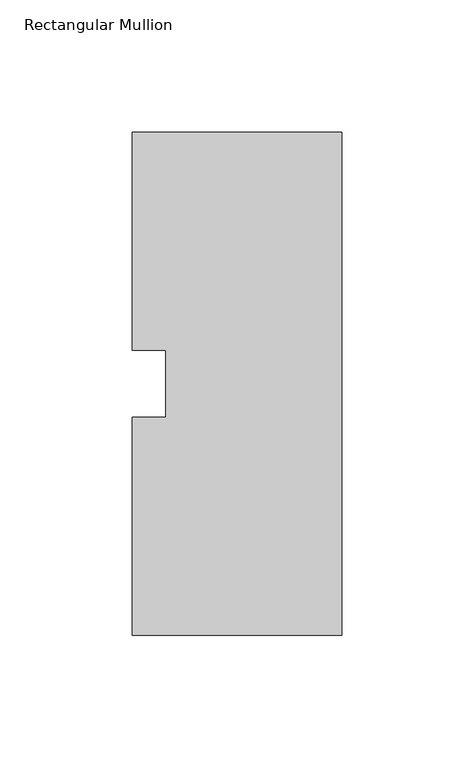
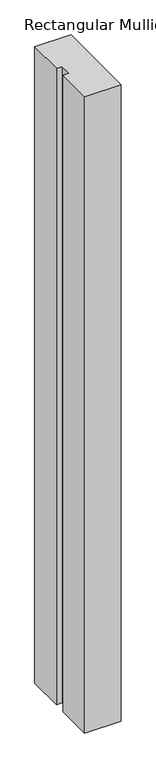
"""IFC4 building model written with IfcOpenShell, lengths in millimetres: member geometry, Rectangular Mullion."""

from ifc_helpers import new_model, si_unit, frame, origin, place, context, project, spatial, polyline, outline, extrude, source, transform, mapped, element, save


def rectangular_mullion_9f2610c9(model_context):
    return source(origin(), model_context, "Body", "SweptSolid", [
        extrude(outline(polyline([(-79.375, 95.25), (0.0, 95.25), (0.0, -95.25), (-79.375, -95.25), (-79.375, -12.7), (-66.6732296, -12.7), (-66.6732296, 12.7), (-79.375, 12.7), (-79.375, 95.25)])), frame((0.0, 0.0, -1478.28), z_axis=(0.0, 0.0, 1.0), x_axis=(1.0, 0.0, 0.0)), (0.0, 0.0, 1.0), 1478.28),
    ])


if __name__ == "__main__":
    model = new_model("IFC4")
    model_context = context("Model", 3, world=origin())
    ifc_project = project(units=[si_unit("LENGTHUNIT", "METRE", prefix="MILLI")], contexts=[model_context])
    site = spatial("IfcSite", under=ifc_project)
    building = spatial("IfcBuilding", under=site)
    placement = place(None, origin())
    rectangular_mullion_shape = rectangular_mullion_9f2610c9(model_context)
    element("IfcMember", 1, ObjectType="Rectangular Mullion", at=placement, inside=building, context=model_context, shape_type="MappedRepresentation", body=[
        mapped(rectangular_mullion_shape, transform((0.0, 0.0, 0.0), x_axis=(1.0, 0.0, 0.0), y_axis=(0.0, 1.0, 0.0), z_axis=(0.0, 0.0, 1.0))),
    ])
    save(model, "model.ifc")
